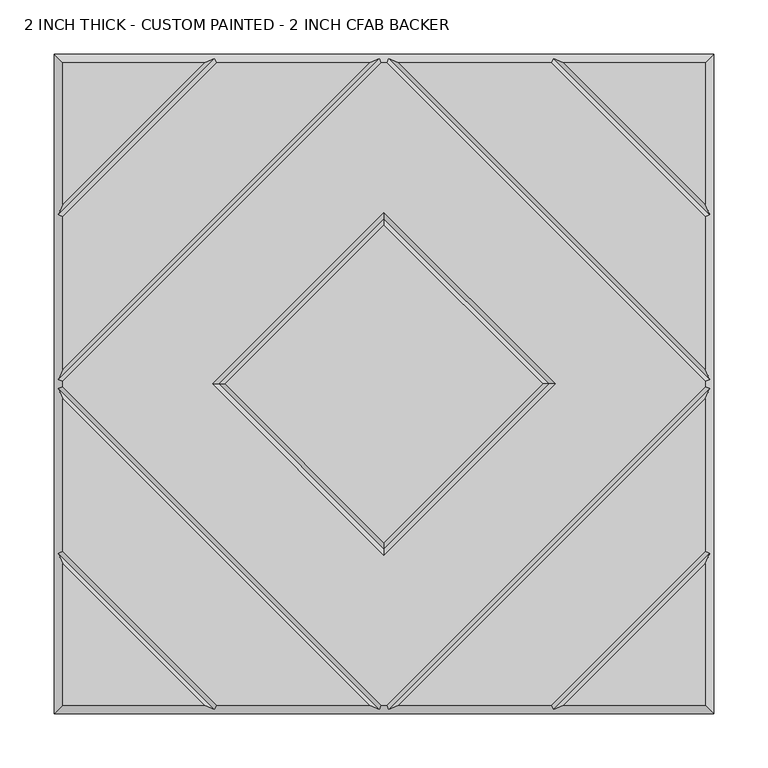
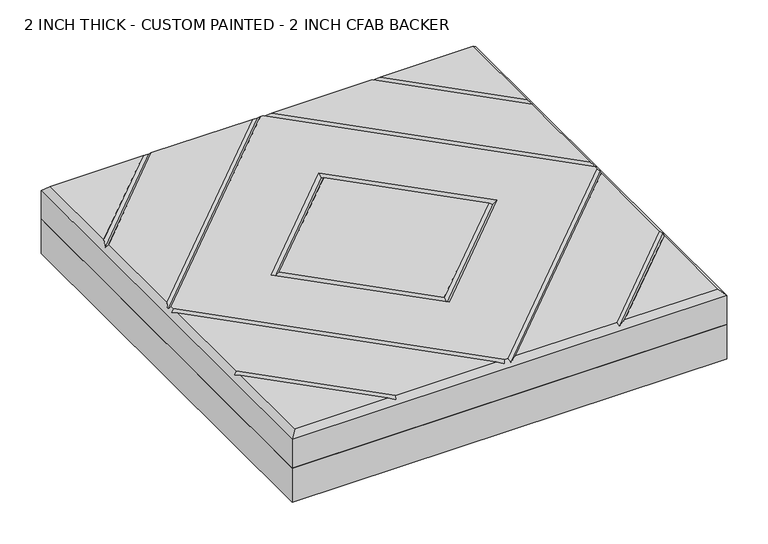
"""IFC4 building model written with IfcOpenShell, lengths in millimetres: proxy geometry, 2 INCH THICK - CUSTOM PAINTED - 2 INCH CFAB BACKER."""

from ifc_helpers import new_model, si_unit, frame, origin, place, context, project, spatial, polyline, outline, extrude, faceted_brep, source, transform, mapped, element, save


def proxy_2_inch_thick_custom_painted_2_inch_cfab_backer_fbdd9a1e(model_context):
    return source(origin(), model_context, "Body", "SolidModel", [
        extrude(outline(polyline([(-304.8, 304.8), (304.8, 304.8), (304.8, -304.8), (-304.8, -304.8), (-304.8, 304.8)])), frame((0.0, 0.0, -50.8), z_axis=(0.0, 0.0, 1.0), x_axis=(1.0, 0.0, 0.0)), (0.0, 0.0, 1.0), 50.8),
        faceted_brep([(296.799, 166.0585868, 50.8), (296.799, 296.799, 50.8), (166.0585868, 296.799, 50.8), (-166.0585868, 296.799, 50.8), (-296.799, 296.799, 50.8), (-296.799, 166.0585868, 50.8), (-2.3434382, -296.799, 50.8), (2.3434382, -296.799, 50.8), (296.799, -2.3434137, 50.8), (296.799, 2.3434632, 50.8), (2.3434141, 296.799, 50.8), (-2.343464, 296.799, 50.8), (-296.799, 2.343464, 50.8), (-296.799, -2.3434137, 50.8), (-158.0575614, 2.54e-05, 50.8), (0.0, 158.0575868, 50.8), (158.0575614, 2.54e-05, 50.8), (0.0, -158.057536, 50.8), (-296.799, -296.799, 50.8), (-166.0590079, -296.799, 50.8), (-296.799, -166.0585721, 50.8), (166.0590079, -296.799, 50.8), (296.799, -296.799, 50.8), (296.799, -166.0585721, 50.8), (-154.743464, 296.799, 50.8), (-296.799, 154.743464, 50.8), (-296.799, 13.6585868, 50.8), (-13.6585868, 296.799, 50.8), (-13.6585605, -296.799, 50.8), (-296.799, -13.6585369, 50.8), (-296.799, -154.7434305, 50.8), (-154.743904, -296.799, 50.8), (296.799, -13.6585369, 50.8), (13.6585605, -296.799, 50.8), (154.743904, -296.799, 50.8), (296.799, -154.7434305, 50.8), (13.6585378, 296.799, 50.8), (296.799, 13.658585, 50.8), (296.799, 154.743464, 50.8), (154.743464, 296.799, 50.8), (0.0, 146.742464, 50.8), (-146.7424386, 2.54e-05, 50.8), (0.0, -146.7424132, 50.8), (146.7424386, 2.54e-05, 50.8), (-304.8, 304.8, 0.0), (304.8, 304.8, 0.0), (304.8, -304.8, 0.0), (-304.8, -304.8, 0.0), (-304.8, -304.8, 42.799), (-304.8, 304.8, 42.799), (304.8, -304.8, 42.799), (304.8, 304.8, 42.799), (-156.4005254, 300.7995, 46.7995), (-4.0005254, 300.7995, 46.7995), (4.0004753, 300.7995, 46.7995), (156.4005254, 300.7995, 46.7995), (-300.7995, -156.4004879, 46.7995), (-300.7995, -4.0004749, 46.7995), (-300.7995, 4.0005254, 46.7995), (-300.7995, 156.4005254, 46.7995), (156.4009693, -300.7995, 46.7995), (4.0004997, -300.7995, 46.7995), (-4.0004997, -300.7995, 46.7995), (-156.4009693, -300.7995, 46.7995), (300.7995, 156.4005254, 46.7995), (300.7995, 4.0005247, 46.7995), (300.7995, -4.0004749, 46.7995), (300.7995, -156.4004879, 46.7995), (0.0, 152.4000254, 46.7995), (-152.4, 2.54e-05, 46.7995), (0.0, -152.3999746, 46.7995), (152.4, 2.54e-05, 46.7995)], [[[0, 1, 2]], [[3, 4, 5]], [[6, 7, 8, 9, 10, 11, 12, 13], [14, 15, 16, 17]], [[18, 19, 20]], [[21, 22, 23]], [[24, 25, 26, 27]], [[28, 29, 30, 31]], [[32, 33, 34, 35]], [[36, 37, 38, 39]], [[40, 41, 42, 43]], [[44, 45, 46, 47]], [[44, 47, 48, 49]], [[47, 46, 50, 48]], [[46, 45, 51, 50]], [[45, 44, 49, 51]], [[49, 4, 3, 52, 24, 27, 53, 11, 10, 54, 36, 39, 55, 2, 1, 51]], [[4, 49, 48, 18, 20, 56, 30, 29, 57, 13, 12, 58, 26, 25, 59, 5]], [[18, 48, 50, 22, 21, 60, 34, 33, 61, 7, 6, 62, 28, 31, 63, 19]], [[51, 1, 0, 64, 38, 37, 65, 9, 8, 66, 32, 35, 67, 23, 22, 50]], [[52, 59, 25, 24]], [[59, 52, 3, 5]], [[53, 58, 12, 11]], [[58, 53, 27, 26]], [[57, 62, 6, 13]], [[62, 57, 29, 28]], [[61, 66, 8, 7]], [[66, 61, 33, 32]], [[65, 54, 10, 9]], [[54, 65, 37, 36]], [[68, 69, 41, 40]], [[69, 68, 15, 14]], [[41, 69, 70, 42]], [[69, 14, 17, 70]], [[42, 70, 71, 43]], [[70, 17, 16, 71]], [[68, 40, 43, 71]], [[15, 68, 71, 16]], [[56, 63, 31, 30]], [[63, 56, 20, 19]], [[67, 60, 21, 23]], [[60, 67, 35, 34]], [[55, 64, 0, 2]], [[64, 55, 39, 38]]]),
    ])


if __name__ == "__main__":
    model = new_model("IFC4")
    model_context = context("Model", 3, world=origin())
    ifc_project = project(units=[si_unit("LENGTHUNIT", "METRE", prefix="MILLI")], contexts=[model_context])
    site = spatial("IfcSite", under=ifc_project)
    building = spatial("IfcBuilding", under=site)
    placement = place(None, origin())
    proxy_2_inch_thick_custom_painted_2_inch_cfab_backer_shape = proxy_2_inch_thick_custom_painted_2_inch_cfab_backer_fbdd9a1e(model_context)
    element("IfcBuildingElementProxy", 1, Name="2 INCH THICK - CUSTOM PAINTED - 2 INCH CFAB BACKER", ObjectType="2 INCH THICK - CUSTOM PAINTED - 2 INCH CFAB BACKER", at=placement, inside=building, context=model_context, shape_type="MappedRepresentation", body=[
        mapped(proxy_2_inch_thick_custom_painted_2_inch_cfab_backer_shape, transform((0.0, 0.0, 0.0), x_axis=(1.0, 0.0, 0.0), y_axis=(0.0, 1.0, 0.0), z_axis=(0.0, 0.0, 1.0))),
    ])
    save(model, "model.ifc")
